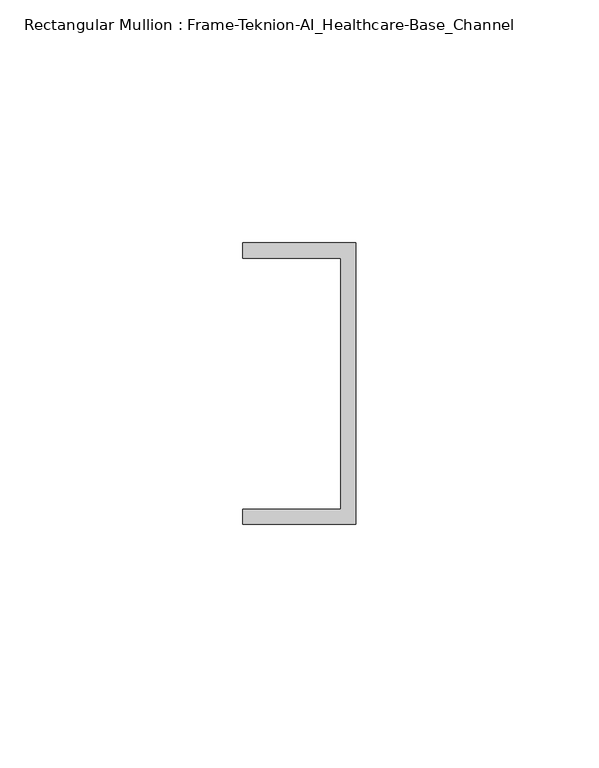
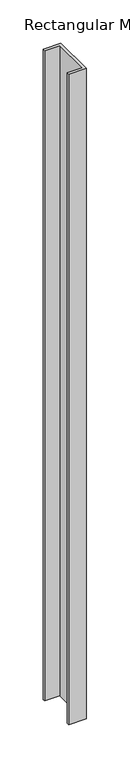
"""IFC4 building model written with IfcOpenShell, lengths in millimetres: member geometry, Rectangular Mullion : Frame-Teknion-AI_Healthcare-Base_Channel."""

from ifc_helpers import new_model, si_unit, frame, origin, place, context, project, spatial, polyline, outline, extrude, source, transform, mapped, element, save


def rectangular_mullion_frame_teknion_ai_healthcare_base_channel_f802da44(model_context):
    return source(origin(), model_context, "Body", "SweptSolid", [
        extrude(outline(polyline([(0.0, -29.0214844), (-23.3164063, -29.0214844), (-23.3164063, -25.8464844), (-3.175, -25.8464844), (-3.175, 25.8464844), (-23.3164063, 25.8464844), (-23.3164063, 29.0214844), (0.0, 29.0214844), (0.0, -29.0214844)])), frame((0.0, 0.0, -914.4), z_axis=(0.0, 0.0, 1.0), x_axis=(1.0, 0.0, 0.0)), (0.0, 0.0, 1.0), 914.4),
    ])


if __name__ == "__main__":
    model = new_model("IFC4")
    model_context = context("Model", 3, world=origin())
    ifc_project = project(units=[si_unit("LENGTHUNIT", "METRE", prefix="MILLI")], contexts=[model_context])
    site = spatial("IfcSite", under=ifc_project)
    building = spatial("IfcBuilding", under=site)
    placement = place(None, origin())
    rectangular_mullion_frame_teknion_ai_healthcare_base_channel_shape = rectangular_mullion_frame_teknion_ai_healthcare_base_channel_f802da44(model_context)
    element("IfcMember", 1, ObjectType="Rectangular Mullion : Frame-Teknion-AI_Healthcare-Base_Channel", at=placement, inside=building, context=model_context, shape_type="MappedRepresentation", body=[
        mapped(rectangular_mullion_frame_teknion_ai_healthcare_base_channel_shape, transform((0.0, 0.0, 0.0), x_axis=(1.0, 0.0, 0.0), y_axis=(0.0, 1.0, 0.0), z_axis=(0.0, 0.0, 1.0))),
    ])
    save(model, "model.ifc")
